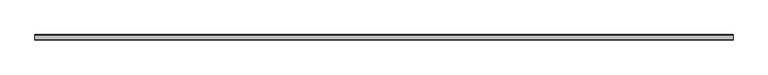
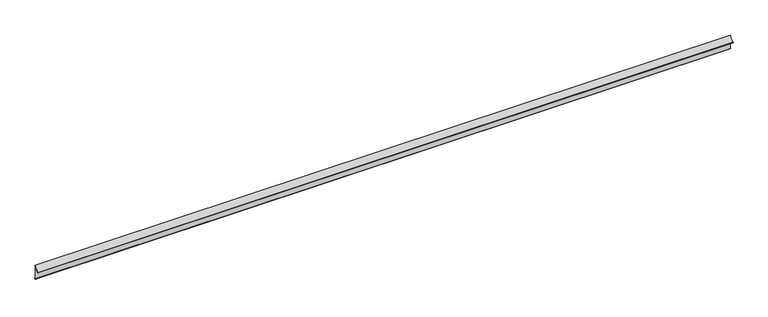
"""IFC4 building model written with IfcOpenShell, lengths in millimetres: proxy geometry."""

import ifcopenshell
import ifcopenshell.guid

model = None  # the IFC model being written
_history = None  # IfcOwnerHistory: only IFC2X3 demands one
_inside = {}  # id of a spatial element -> (the spatial element, [elements in it])
_under = {}  # id of a project, library or spatial element -> (it, [spatial elements below it])
_declared = {}  # id of a project -> (the project, [libraries it declares])
_typed = {}  # id of a type object -> (the type object, [elements of that type])
_made_of = {}  # id of a material, layer set ... -> (it, [elements and type objects made of it])


def new_model(schema):
    """Start an empty IFC model of exactly this schema.

    Asked for "IFC4X3", IfcOpenShell would pick the latest addendum, in which some entities
    have other attributes; the version numbers below select the first issue.
    IFC2X3 requires an IfcOwnerHistory on every rooted entity: one is made here for all.
    """
    global model, _history
    if schema == "IFC4X3":
        model = ifcopenshell.file(schema_version=(4, 3, 0, 0))
    else:
        model = ifcopenshell.file(schema=schema)
    _inside.clear()
    _under.clear()
    _declared.clear()
    _typed.clear()
    _made_of.clear()
    _history = None
    if model.schema == "IFC2X3":
        org = make("IfcOrganization", Name="unknown")
        user = make(
            "IfcPersonAndOrganization",
            ThePerson=make("IfcPerson", FamilyName="unknown"),
            TheOrganization=org,
        )
        app = make(
            "IfcApplication",
            ApplicationDeveloper=org,
            Version="unknown",
            ApplicationFullName="unknown",
            ApplicationIdentifier="unknown",
        )
        _history = make(
            "IfcOwnerHistory",
            OwningUser=user,
            OwningApplication=app,
            ChangeAction="ADDED",
            CreationDate=0,
        )
    return model


def make(cls, **values):
    """One entity of the class cls with the attributes given. An attribute that is None is left unset."""
    return model.create_entity(
        cls, **{name: value for name, value in values.items() if value is not None}
    )


def rooted(cls, **values):
    """An entity with a GlobalId (a new one), such as an element, a storey or a relation."""
    return make(cls, GlobalId=ifcopenshell.guid.new(), OwnerHistory=_history, **values)


def si_unit(unit_type, name, prefix=None):
    """IfcSIUnit, for example si_unit("LENGTHUNIT", "METRE", prefix="MILLI")."""
    return make("IfcSIUnit", UnitType=unit_type, Prefix=prefix, Name=name)


def assignment(units):
    """IfcUnitAssignment: the units of a project."""
    return None if units is None else make("IfcUnitAssignment", Units=units)


def point(xyz):
    """IfcCartesianPoint."""
    return None if xyz is None else make("IfcCartesianPoint", Coordinates=xyz)


def direction(xyz):
    """IfcDirection."""
    return None if xyz is None else make("IfcDirection", DirectionRatios=xyz)


def frame(location, z_axis=None, x_axis=None):
    """IfcAxis2Placement3D, a coordinate frame: its origin and axes. An axis left out is left unset."""
    return make(
        "IfcAxis2Placement3D",
        Location=point(location),
        Axis=direction(z_axis),
        RefDirection=direction(x_axis),
    )


def frame_2d(location, x_axis=None):
    """IfcAxis2Placement2D, a coordinate frame in the plane: its origin and x axis."""
    return make(
        "IfcAxis2Placement2D", Location=point(location), RefDirection=direction(x_axis)
    )


def origin():
    """The frame at (0, 0, 0) with its axes left unset."""
    return frame((0.0, 0.0, 0.0))


def place(relative_to, where):
    """IfcLocalPlacement: puts the frame where relative to a parent placement (None: the world)."""
    return make(
        "IfcLocalPlacement", PlacementRelTo=relative_to, RelativePlacement=where
    )


def context(
    kind, dimensions, precision=None, world=None, true_north=None, identifier=None
):
    """IfcGeometricRepresentationContext, for example the 3D "Model" context."""
    return make(
        "IfcGeometricRepresentationContext",
        ContextIdentifier=identifier,
        ContextType=kind,
        CoordinateSpaceDimension=dimensions,
        Precision=precision,
        WorldCoordinateSystem=world,
        TrueNorth=true_north,
    )


def project(units=None, contexts=None):
    """IfcProject with its units and contexts."""
    return rooted(
        "IfcProject",
        Name="project",
        RepresentationContexts=contexts,
        UnitsInContext=assignment(units),
    )


def spatial(cls, under=None, at=None, **own):
    """A site, building, storey or space (cls), placed at a placement, below another one or the project."""
    s = rooted(cls, ObjectPlacement=at, **own)
    if under is not None:
        _under.setdefault(under.id(), (under, []))[1].append(s)
    return s


def polyline(points):
    """IfcPolyline through the points."""
    return make("IfcPolyline", Points=[point(p) for p in points])


def circle_curve(where, radius):
    """IfcCircle in the frame where."""
    return make("IfcCircle", Position=where, Radius=radius)


def trimmed(basis, trim1, trim2, sense, master):
    """IfcTrimmedCurve: the piece of a basis curve between two trims."""
    return make(
        "IfcTrimmedCurve",
        BasisCurve=basis,
        Trim1=trim1,
        Trim2=trim2,
        SenseAgreement=sense,
        MasterRepresentation=master,
    )


def segment(curve, same_sense, transition):
    """IfcCompositeCurveSegment."""
    return make(
        "IfcCompositeCurveSegment",
        Transition=transition,
        SameSense=same_sense,
        ParentCurve=curve,
    )


def composite_curve(segments, self_intersect=None):
    """IfcCompositeCurve: segments joined end to end."""
    return make("IfcCompositeCurve", Segments=segments, SelfIntersect=self_intersect)


def outline(outer, holes=None, kind="AREA"):
    """IfcArbitraryClosedProfileDef: a profile drawn as a closed curve; with holes, ...WithVoids."""
    if holes is None:
        return make("IfcArbitraryClosedProfileDef", ProfileType=kind, OuterCurve=outer)
    return make(
        "IfcArbitraryProfileDefWithVoids",
        ProfileType=kind,
        OuterCurve=outer,
        InnerCurves=holes,
    )


def extrude(swept, where, along, depth):
    """IfcExtrudedAreaSolid: the profile swept, set in the frame where, extruded along a direction by depth."""
    return make(
        "IfcExtrudedAreaSolid",
        SweptArea=swept,
        Position=where,
        ExtrudedDirection=direction(along),
        Depth=depth,
    )


def shape(context_of_items, identifier, shape_type, items):
    """IfcShapeRepresentation: the items that make up one representation, for example the "Body"."""
    return make(
        "IfcShapeRepresentation",
        ContextOfItems=context_of_items,
        RepresentationIdentifier=identifier,
        RepresentationType=shape_type,
        Items=items,
    )


def source(mapping_origin, context_of_items, identifier, shape_type, items):
    """IfcRepresentationMap: a shape defined once, which mapped items show again and again."""
    return make(
        "IfcRepresentationMap",
        MappingOrigin=mapping_origin,
        MappedRepresentation=shape(context_of_items, identifier, shape_type, items),
    )


def transform(
    local_origin,
    x_axis=None,
    y_axis=None,
    z_axis=None,
    scale=None,
    scale2=None,
    scale3=None,
    uniform=True,
):
    """IfcCartesianTransformationOperator3D, or its non-uniform kind. x_axis, y_axis, z_axis: its Axis1, 2, 3."""
    if uniform:
        return make(
            "IfcCartesianTransformationOperator3D",
            Axis1=direction(x_axis),
            Axis2=direction(y_axis),
            LocalOrigin=point(local_origin),
            Scale=scale,
            Axis3=direction(z_axis),
        )
    return make(
        "IfcCartesianTransformationOperator3DnonUniform",
        Axis1=direction(x_axis),
        Axis2=direction(y_axis),
        LocalOrigin=point(local_origin),
        Scale=scale,
        Axis3=direction(z_axis),
        Scale2=scale2,
        Scale3=scale3,
    )


def mapped(mapping_source, mapping_target):
    """IfcMappedItem: shows the shape of a source again, moved by a transform."""
    return make(
        "IfcMappedItem", MappingSource=mapping_source, MappingTarget=mapping_target
    )


def made_of(thing, what):
    """Note that an element or type object is made of a material, layer set ...; save() writes the relation."""
    if what is not None:
        _made_of.setdefault(what.id(), (what, []))[1].append(thing)
    return thing


def element(
    cls,
    number,
    at=None,
    inside=None,
    cuts=None,
    type_object=None,
    material=None,
    context=None,
    identifier="Body",
    shape_type=None,
    held_by="IfcProductDefinitionShape",
    body=None,
    shapes=None,
    **own,
):
    """One element of the class cls, such as IfcWall. Its Tag is "e" and its number.

    at: its placement. inside: the storey or other place that contains it. cuts: it is an
    opening in that element (IfcRelVoidsElement). A single representation is given by context,
    identifier, shape_type and body (its items); several are given by shapes. held_by: the class
    of the entity that holds the representations. save() writes the other relations.
    """
    e = rooted(cls, Tag="e%d" % number, ObjectPlacement=at, **own)
    if body is not None:
        shapes = [shape(context, identifier, shape_type, body)]
    if shapes is not None:
        e.Representation = make(held_by, Representations=shapes)
    if inside is not None:
        _inside.setdefault(inside.id(), (inside, []))[1].append(e)
    if cuts is not None:
        rooted(
            "IfcRelVoidsElement", RelatingBuildingElement=cuts, RelatedOpeningElement=e
        )
    if type_object is not None:
        _typed.setdefault(type_object.id(), (type_object, []))[1].append(e)
    return made_of(e, material)


def aggregate(whole, parts):
    """IfcRelAggregates: a whole, such as a stair, and the parts it consists of."""
    return rooted("IfcRelAggregates", RelatingObject=whole, RelatedObjects=parts)


def save(model, path):
    """Write the relations noted so far, then the file.

    IfcRelAggregates (storeys below a building ...), IfcRelContainedInSpatialStructure (elements
    in a storey), IfcRelDefinesByType, IfcRelAssociatesMaterial and IfcRelDeclares: one each for
    every whole, place, type object, material and project.
    """
    for whole, parts in _under.values():
        aggregate(whole, parts)
    for where, things in _inside.values():
        rooted(
            "IfcRelContainedInSpatialStructure",
            RelatedElements=things,
            RelatingStructure=where,
        )
    for kind, things in _typed.values():
        rooted("IfcRelDefinesByType", RelatedObjects=things, RelatingType=kind)
    for what, things in _made_of.values():
        rooted("IfcRelAssociatesMaterial", RelatedObjects=things, RelatingMaterial=what)
    for by, libraries in _declared.values():
        rooted("IfcRelDeclares", RelatingContext=by, RelatedDefinitions=libraries)
    model.write(path)


def generic_models_437f7e7c(model_context):
    return source(origin(), model_context, "Body", "SweptSolid", [
        extrude(outline(composite_curve([segment(trimmed(circle_curve(frame_2d((709.3774283, 339.1227764)), 35.4967634), [point((725.0123881, 307.2547949))], [point((741.2961427, 323.5916501))], True, "CARTESIAN"), True, "CONTINUOUS"), segment(polyline([(741.2961427, 323.5916501), (742.6461443, 322.0923215)]), True, "CONTINUOUS"), segment(trimmed(circle_curve(frame_2d((721.8375572, 336.9379084)), 25.56147), [point((742.6461443, 322.0923215))], [point((741.3306762, 320.4028832))], False, "CARTESIAN"), True, "CONTINUOUS"), segment(polyline([(741.3306762, 320.4028832), (741.6461443, 318.3272025), (741.6461443, 278.5577822), (742.6461443, 276.6364927), (742.6461443, 274.6864927)]), True, "CONTINUOUS"), segment(trimmed(circle_curve(frame_2d((741.3961443, 274.6864927)), 1.25), [point((742.6461443, 274.6864927))], [point((740.1461443, 274.6864927))], False, "CARTESIAN"), True, "CONTINUOUS"), segment(polyline([(740.1461443, 274.6864927), (740.1461443, 318.5871555)]), True, "CONTINUOUS"), segment(trimmed(circle_curve(frame_2d((706.7457223, 342.063431)), 40.8255275), [point((740.1461443, 318.5871555))], [point((725.8286745, 305.9723707))], False, "CARTESIAN"), True, "CONTINUOUS"), segment(trimmed(circle_curve(frame_2d((725.2100255, 306.479592)), 0.8), [point((725.8286745, 305.9723707))], [point((725.0123881, 307.2547949))], False, "CARTESIAN"), True, "CONTINUOUS")], self_intersect=False)), frame((-5295.3690716, 0.0, 0.0), z_axis=(1.0, 0.0, 0.0), x_axis=(0.0, 1.0, 0.0)), (0.0, 0.0, 1.0), 2400.0),
    ])


if __name__ == "__main__":
    model = new_model("IFC4")
    model_context = context("Model", 3, world=origin())
    ifc_project = project(units=[si_unit("LENGTHUNIT", "METRE", prefix="MILLI")], contexts=[model_context])
    site = spatial("IfcSite", under=ifc_project)
    building = spatial("IfcBuilding", under=site)
    placement = place(None, origin())
    generic_models_shape = generic_models_437f7e7c(model_context)
    element("IfcBuildingElementProxy", 1, Name="Generic Models", at=placement, inside=building, context=model_context, shape_type="MappedRepresentation", body=[
        mapped(generic_models_shape, transform((0.0, 0.0, 0.0), x_axis=(1.0, 0.0, 0.0), y_axis=(0.0, 1.0, 0.0), z_axis=(0.0, 0.0, 1.0))),
    ])
    save(model, "model.ifc")
